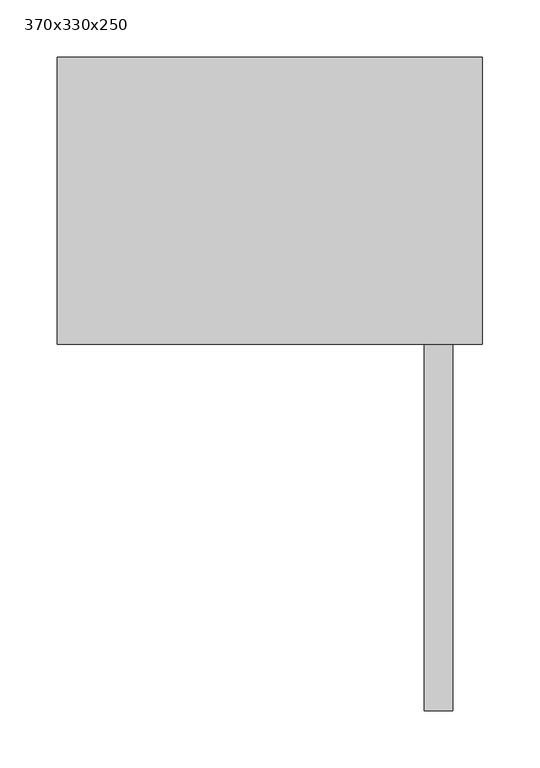
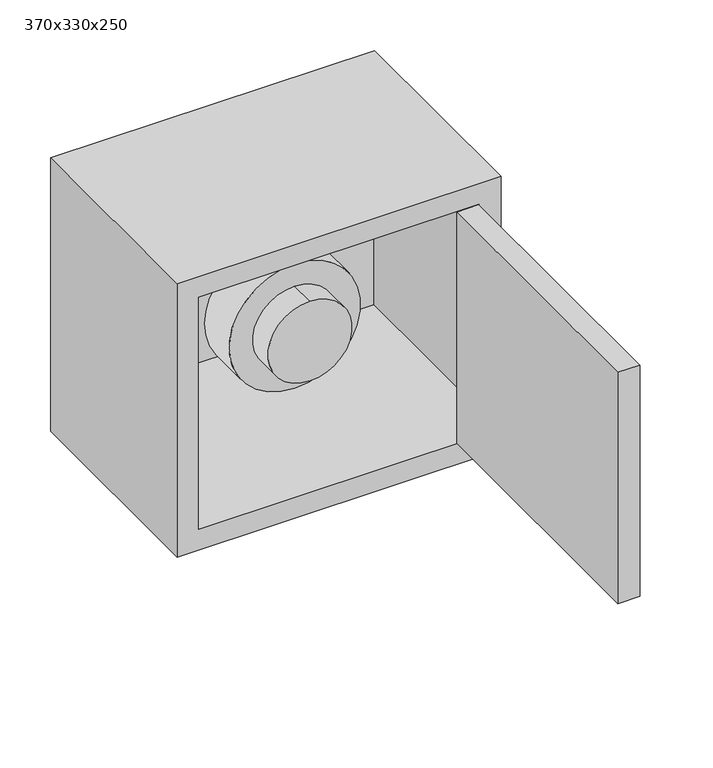
"""IFC4 building model written with IfcOpenShell, lengths in millimetres: furniture geometry, 370x330x250."""

from ifc_helpers import new_model, si_unit, point, frame, frame_2d, origin, place, context, project, spatial, polyline, circle_curve, trimmed, segment, composite_curve, outline, extrude, source, transform, mapped, element, save
from ifc_brep_helpers import plane_surface, cylinder_surface, revolved_surface, advanced_brep


def furniture_370x330x250_b7c620b6(model_context):
    return source(origin(), model_context, "Body", "SolidModel", [
        extrude(outline(composite_curve([segment(trimmed(circle_curve(frame_2d((175.0, -10.0)), 25.0), [point((150.0, -10.0))], [point((200.0, -10.0))], False, "CARTESIAN"), True, "CONTINUOUS"), segment(trimmed(circle_curve(frame_2d((175.0, -10.0)), 25.0), [point((200.0, -10.0))], [point((150.0, -10.0))], False, "CARTESIAN"), True, "CONTINUOUS")], self_intersect=False)), frame((0.0, 148.0, 0.0), z_axis=(0.0, 1.0, 0.0), x_axis=(0.0, 0.0, 1.0)), (0.0, 0.0, 1.0), 102.0),
        advanced_brep(
        [(-10.0, 148.0, 127.0), (-10.0, 148.0, 223.0), (-10.0, 40.0, 127.0), (-10.0, 40.0, 223.0), (-10.0, 118.0, 223.0), (-10.0, 118.0, 127.0), (-10.0, 70.0, 127.0), (-10.0, 70.0, 223.0), (-10.0, 118.0, 100.0), (-10.0, 118.0, 250.0), (-10.0, 70.0, 100.0), (-10.0, 70.0, 250.0)],
        [
            (0, 1, circle_curve(frame((-10.0, 148.0, 175.0), z_axis=(0.0, 1.0, 0.0), x_axis=(0.0, 0.0, 1.0)), 48.0)),
            (1, 0, circle_curve(frame((-10.0, 148.0, 175.0), z_axis=(0.0, 1.0, 0.0), x_axis=(0.0, 0.0, 1.0)), 48.0)),
            (2, 3, circle_curve(frame((-10.0, 40.0, 175.0), z_axis=(0.0, -1.0, 0.0), x_axis=(0.0, 0.0, 1.0)), 48.0)),
            (3, 2, circle_curve(frame((-10.0, 40.0, 175.0), z_axis=(0.0, -1.0, 0.0), x_axis=(0.0, 0.0, 1.0)), 48.0)),
            (1, 4),
            (4, 5, circle_curve(frame((-10.0, 118.0, 175.0), z_axis=(0.0, 1.0, 0.0), x_axis=(0.0, 0.0, 1.0)), 48.0)),
            (5, 0),
            (2, 6),
            (6, 7, circle_curve(frame((-10.0, 70.0, 175.0), z_axis=(0.0, -1.0, 0.0), x_axis=(0.0, 0.0, 1.0)), 48.0)),
            (7, 3),
            (5, 4, circle_curve(frame((-10.0, 118.0, 175.0), z_axis=(0.0, 1.0, 0.0), x_axis=(0.0, 0.0, 1.0)), 48.0)),
            (7, 6, circle_curve(frame((-10.0, 70.0, 175.0), z_axis=(0.0, -1.0, 0.0), x_axis=(0.0, 0.0, 1.0)), 48.0)),
            (8, 9, circle_curve(frame((-10.0, 118.0, 175.0), z_axis=(0.0, 1.0, 0.0), x_axis=(0.0, 0.0, 1.0)), 75.0)),
            (9, 8, circle_curve(frame((-10.0, 118.0, 175.0), z_axis=(0.0, 1.0, 0.0), x_axis=(0.0, 0.0, 1.0)), 75.0)),
            (10, 11, circle_curve(frame((-10.0, 70.0, 175.0), z_axis=(0.0, -1.0, 0.0), x_axis=(0.0, 0.0, 1.0)), 75.0)),
            (11, 10, circle_curve(frame((-10.0, 70.0, 175.0), z_axis=(0.0, -1.0, 0.0), x_axis=(0.0, 0.0, 1.0)), 75.0)),
            (9, 11),
            (10, 8),
        ],
        [
            plane_surface(frame((-10.0, 148.0, 223.0), z_axis=(0.0, 1.0, 0.0), x_axis=(1.0, 0.0, 0.0))),
            plane_surface(frame((-10.0, 40.0, 223.0), z_axis=(0.0, -1.0, 0.0), x_axis=(-1.0, 0.0, 0.0))),
            cylinder_surface(frame((-10.0, 148.0, 175.0), z_axis=(0.0, -1.0, 0.0), x_axis=(0.0, 0.0, 1.0)), 48.0),
            plane_surface(frame((-10.0, 118.0, 250.0), z_axis=(0.0, 1.0, 0.0), x_axis=(1.0, 0.0, 0.0))),
            plane_surface(frame((-10.0, 70.0, 250.0), z_axis=(0.0, -1.0, 0.0), x_axis=(-1.0, 0.0, 0.0))),
            cylinder_surface(frame((-10.0, 118.0, 175.0), z_axis=(0.0, -1.0, 0.0), x_axis=(0.0, 0.0, 1.0)), 75.0),
        ],
        [
            (0, [[1, 2]]),
            (1, [[3, 4]]),
            (2, [[-2, 5, 6, 7]]),
            (2, [[-3, 8, 9, 10]]),
            (2, [[-1, -7, 11, -5]]),
            (2, [[-4, -10, 12, -8]]),
            (3, [[13, 14], [-6, -11]]),
            (4, [[15, 16], [-9, -12]]),
            (5, [[-14, 17, -15, 18]]),
            (5, [[-13, -18, -16, -17]]),
        ],
    ),
        extrude(outline(polyline([(134.5, -319.0), (134.5, 0.0), (159.5, 0.0), (159.5, -319.0), (134.5, -319.0)])), frame((0.0, 0.0, 25.5), z_axis=(0.0, 0.0, 1.0), x_axis=(1.0, 0.0, 0.0)), (0.0, 0.0, 1.0), 279.0),
        advanced_brep(
        [(185.0, 250.0, 330.0), (-185.0, 250.0, 330.0), (-185.0, 0.0, 330.0), (185.0, 0.0, 330.0), (185.0, 250.0, 0.0), (185.0, 0.0, 0.0), (-185.0, 0.0, 0.0), (-185.0, 250.0, 0.0), (-56.0, 250.0, 175.0), (36.0, 250.0, 175.0), (70.0, 250.0, 175.0), (110.0, 250.0, 175.0), (-160.0, 0.0, 305.0), (160.0, 0.0, 305.0), (160.0, 0.0, 25.0), (-160.0, 0.0, 25.0), (183.0, 248.0, 305.0), (183.0, 2.0, 305.0), (160.0, 2.0, 305.0), (-160.0, 2.0, 305.0), (-183.0, 2.0, 305.0), (-183.0, 248.0, 305.0), (183.0, 248.0, 25.0), (-183.0, 248.0, 25.0), (-183.0, 2.0, 25.0), (-160.0, 2.0, 25.0), (160.0, 2.0, 25.0), (183.0, 2.0, 25.0), (36.0, 248.0, 175.0), (-56.0, 248.0, 175.0), (110.0, 248.0, 175.0), (70.0, 248.0, 175.0)],
        [
            (0, 1),
            (1, 2),
            (2, 3),
            (3, 0),
            (4, 5),
            (5, 6),
            (6, 7),
            (7, 4),
            (0, 4),
            (7, 1),
            (8, 9, circle_curve(frame((-10.0, 250.0, 175.0), z_axis=(0.0, -1.0, 0.0), x_axis=(1.0, 0.0, 0.0)), 46.0)),
            (9, 8, circle_curve(frame((-10.0, 250.0, 175.0), z_axis=(0.0, -1.0, 0.0), x_axis=(1.0, 0.0, 0.0)), 46.0)),
            (10, 11, circle_curve(frame((90.0, 250.0, 175.0), z_axis=(0.0, -1.0, 0.0), x_axis=(1.0, 0.0, 0.0)), 20.0)),
            (11, 10, circle_curve(frame((90.0, 250.0, 175.0), z_axis=(0.0, -1.0, 0.0), x_axis=(1.0, 0.0, 0.0)), 20.0)),
            (6, 2),
            (5, 3),
            (12, 13),
            (13, 14),
            (14, 15),
            (15, 12),
            (16, 17),
            (17, 18),
            (18, 13),
            (12, 19),
            (19, 20),
            (20, 21),
            (21, 16),
            (22, 23),
            (23, 24),
            (24, 25),
            (25, 15),
            (14, 26),
            (26, 27),
            (27, 22),
            (21, 23),
            (22, 16),
            (28, 29, circle_curve(frame((-10.0, 248.0, 175.0), z_axis=(0.0, 1.0, 0.0), x_axis=(1.0, 0.0, 0.0)), 46.0)),
            (29, 28, circle_curve(frame((-10.0, 248.0, 175.0), z_axis=(0.0, 1.0, 0.0), x_axis=(1.0, 0.0, 0.0)), 46.0)),
            (30, 31, circle_curve(frame((90.0, 248.0, 175.0), z_axis=(0.0, 1.0, 0.0), x_axis=(1.0, 0.0, 0.0)), 20.0)),
            (31, 30, circle_curve(frame((90.0, 248.0, 175.0), z_axis=(0.0, 1.0, 0.0), x_axis=(1.0, 0.0, 0.0)), 20.0)),
            (27, 17),
            (20, 24),
            (19, 25),
            (18, 26),
            (28, 9),
            (8, 29),
            (30, 11),
            (10, 31),
        ],
        [
            plane_surface(frame((-185.0, 250.0, 330.0), z_axis=(0.0, 0.0, 1.0), x_axis=(-1.0, 0.0, 0.0))),
            plane_surface(frame((-185.0, 250.0, 0.0), z_axis=(0.0, 0.0, -1.0), x_axis=(1.0, 0.0, 0.0))),
            plane_surface(frame((185.0, 250.0, 330.0), z_axis=(0.0, 1.0, 0.0), x_axis=(0.0, 0.0, -1.0))),
            plane_surface(frame((-185.0, 250.0, 330.0), z_axis=(-1.0, 0.0, 0.0), x_axis=(0.0, 0.0, -1.0))),
            plane_surface(frame((-185.0, 0.0, 330.0), z_axis=(0.0, -1.0, 0.0), x_axis=(0.0, 0.0, -1.0))),
            plane_surface(frame((185.0, 0.0, 330.0), z_axis=(1.0, 0.0, 0.0), x_axis=(0.0, 0.0, -1.0))),
            plane_surface(frame((-183.0, 248.0, 305.0), z_axis=(0.0, 0.0, -1.0), x_axis=(-1.0, 0.0, 0.0))),
            plane_surface(frame((-183.0, 248.0, 25.0), z_axis=(0.0, 0.0, 1.0), x_axis=(1.0, 0.0, 0.0))),
            plane_surface(frame((183.0, 248.0, 305.0), z_axis=(0.0, -1.0, 0.0), x_axis=(0.0, 0.0, -1.0))),
            plane_surface(frame((183.0, 2.0, 305.0), z_axis=(-1.0, 0.0, 0.0), x_axis=(0.0, 0.0, -1.0))),
            plane_surface(frame((-183.0, 248.0, 305.0), z_axis=(1.0, 0.0, 0.0), x_axis=(0.0, 0.0, -1.0))),
            plane_surface(frame((-183.0, 2.0, 305.0), z_axis=(0.0, 1.0, 0.0), x_axis=(0.0, 0.0, -1.0))),
            plane_surface(frame((-160.0, 2.0, 305.0), z_axis=(1.0, 0.0, 0.0), x_axis=(0.0, 0.0, -1.0))),
            plane_surface(frame((160.0, 0.0, 305.0), z_axis=(-1.0, 0.0, 0.0), x_axis=(0.0, 0.0, -1.0))),
            plane_surface(frame((160.0, 2.0, 305.0), z_axis=(0.0, 1.0, 0.0), x_axis=(0.0, 0.0, -1.0))),
            revolved_surface(polyline([(36.0, 248.0, 175.0), (36.0, 250.0, 175.0)]), (-10.0, 250.0, 175.0), (0.0, -1.0, 0.0)),
            revolved_surface(polyline([(110.0, 248.0, 175.0), (110.0, 250.0, 175.0)]), (90.0, 250.0, 175.0), (0.0, -1.0, 0.0)),
        ],
        [
            (0, [[1, 2, 3, 4]]),
            (1, [[5, 6, 7, 8]]),
            (2, [[-1, 9, -8, 10], [11, 12], [13, 14]]),
            (3, [[-2, -10, -7, 15]]),
            (4, [[-3, -15, -6, 16], [17, 18, 19, 20]]),
            (5, [[-4, -16, -5, -9]]),
            (6, [[21, 22, 23, -17, 24, 25, 26, 27]]),
            (7, [[28, 29, 30, 31, -19, 32, 33, 34]]),
            (8, [[-27, 35, -28, 36], [37, 38], [39, 40]]),
            (9, [[-21, -36, -34, 41]]),
            (10, [[-26, 42, -29, -35]]),
            (11, [[-25, 43, -30, -42]]),
            (12, [[-24, -20, -31, -43]]),
            (13, [[-23, 44, -32, -18]]),
            (14, [[-22, -41, -33, -44]]),
            (15, [[45, -11, 46, -37]]),
            (15, [[-45, -38, -46, -12]]),
            (16, [[47, -13, 48, -39]]),
            (16, [[-47, -40, -48, -14]]),
        ],
    ),
    ])


if __name__ == "__main__":
    model = new_model("IFC4")
    model_context = context("Model", 3, world=origin())
    ifc_project = project(units=[si_unit("LENGTHUNIT", "METRE", prefix="MILLI")], contexts=[model_context])
    site = spatial("IfcSite", under=ifc_project)
    building = spatial("IfcBuilding", under=site)
    placement = place(None, origin())
    furniture_370x330x250_shape = furniture_370x330x250_b7c620b6(model_context)
    element("IfcFurniture", 1, ObjectType="370x330x250", at=placement, inside=building, context=model_context, shape_type="MappedRepresentation", body=[
        mapped(furniture_370x330x250_shape, transform((0.0, 0.0, 0.0), x_axis=(1.0, 0.0, 0.0), y_axis=(0.0, 1.0, 0.0), z_axis=(0.0, 0.0, 1.0))),
    ])
    save(model, "model.ifc")
